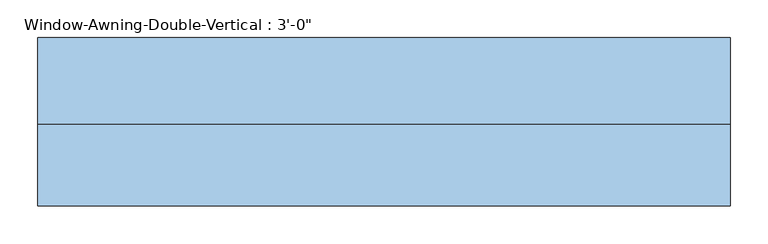
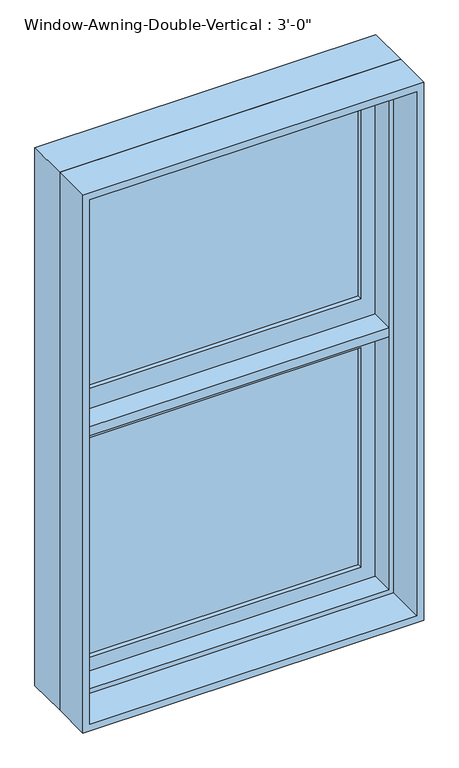
"""IFC4 building model written with IfcOpenShell, lengths in millimetres: window geometry."""

from ifc_helpers import new_model, si_unit, frame, origin, place, context, project, spatial, polyline, outline, extrude, faceted_brep, source, transform, mapped, element, save


def window_58767a64(model_context):
    return source(origin(), model_context, "Body", "SolidModel", [
        extrude(outline(polyline([(927.1, 444.5), (1663.7, 444.5), (1663.7, -444.5), (927.1, -444.5), (927.1, 444.5)]), holes=[polyline([(984.25, -387.35), (1606.55, -387.35), (1606.55, 387.35), (984.25, 387.35), (984.25, -387.35)])]), frame((0.0, 69.85, 0.0), z_axis=(0.0, 1.0, 0.0), x_axis=(0.0, 0.0, 1.0)), (0.0, 0.0, 1.0), 44.45),
        extrude(outline(polyline([(-444.5, 69.85), (-444.5, 120.65), (444.5, 120.65), (444.5, 69.85), (425.45, 69.85), (425.45, 6.35), (-425.45, 6.35), (-425.45, 69.85), (-444.5, 69.85)])), frame((0.0, 0.0, 1663.7), z_axis=(0.0, 0.0, 1.0), x_axis=(1.0, 0.0, 0.0)), (0.0, 0.0, 1.0), 25.4),
        extrude(outline(polyline([(387.35, 101.6), (387.35, 95.25), (-387.35, 95.25), (-387.35, 101.6), (387.35, 101.6)])), frame((0.0, 0.0, 984.25), z_axis=(0.0, 0.0, 1.0), x_axis=(1.0, 0.0, 0.0)), (0.0, 0.0, 1.0), 622.3),
        extrude(outline(polyline([(387.35, 88.9), (387.35, 82.55), (-387.35, 82.55), (-387.35, 88.9), (387.35, 88.9)])), frame((0.0, 0.0, 984.25), z_axis=(0.0, 0.0, 1.0), x_axis=(1.0, 0.0, 0.0)), (0.0, 0.0, 1.0), 622.3),
        extrude(outline(polyline([(387.35, 101.6), (387.35, 95.25), (-387.35, 95.25), (-387.35, 101.6), (387.35, 101.6)])), frame((0.0, 0.0, 1746.25), z_axis=(0.0, 0.0, 1.0), x_axis=(1.0, 0.0, 0.0)), (0.0, 0.0, 1.0), 622.3),
        extrude(outline(polyline([(387.35, 88.9), (387.35, 82.55), (-387.35, 82.55), (-387.35, 88.9), (387.35, 88.9)])), frame((0.0, 0.0, 1746.25), z_axis=(0.0, 0.0, 1.0), x_axis=(1.0, 0.0, 0.0)), (0.0, 0.0, 1.0), 622.3),
        extrude(outline(polyline([(1689.1, -444.5), (1689.1, 444.5), (2425.7, 444.5), (2425.7, -444.5), (1689.1, -444.5)]), holes=[polyline([(2368.55, -387.35), (2368.55, 387.35), (1746.25, 387.35), (1746.25, -387.35), (2368.55, -387.35)])]), frame((0.0, 69.85, 0.0), z_axis=(0.0, 1.0, 0.0), x_axis=(0.0, 0.0, 1.0)), (0.0, 0.0, 1.0), 44.45),
        faceted_brep([(-457.2, 6.35, 2438.4), (-457.2, 120.65, 2438.4), (-457.2, 120.65, 914.4), (-457.2, 6.35, 914.4), (-444.5, 120.65, 2425.7), (-444.5, 69.85, 2425.7), (-444.5, 69.85, 927.1), (-444.5, 120.65, 927.1), (-425.45, 69.85, 2406.65), (-425.45, 6.35, 2406.65), (-425.45, 6.35, 946.15), (-425.45, 69.85, 946.15), (457.2, 120.65, 914.4), (457.2, 6.35, 914.4), (444.5, 69.85, 927.1), (444.5, 120.65, 927.1), (425.45, 6.35, 946.15), (425.45, 69.85, 946.15), (457.2, 120.65, 2438.4), (457.2, 6.35, 2438.4), (444.5, 69.85, 2425.7), (444.5, 120.65, 2425.7), (425.45, 6.35, 2406.65), (425.45, 69.85, 2406.65)], [[[0, 1, 2, 3]], [[4, 5, 6, 7]], [[8, 9, 10, 11]], [[3, 2, 12, 13]], [[7, 6, 14, 15]], [[11, 10, 16, 17]], [[13, 12, 18, 19]], [[15, 14, 20, 21]], [[17, 16, 22, 23]], [[3, 13, 19, 0], [9, 22, 16, 10]], [[19, 18, 1, 0]], [[1, 18, 12, 2], [7, 15, 21, 4]], [[21, 20, 5, 4]], [[5, 20, 14, 6], [11, 17, 23, 8]], [[23, 22, 9, 8]]]),
        extrude(outline(polyline([(2438.4, -457.2), (914.4, -457.2), (914.4, 457.2), (2438.4, 457.2), (2438.4, -457.2)]), holes=[polyline([(2419.35, -438.15), (2419.35, 438.15), (933.45, 438.15), (933.45, -438.15), (2419.35, -438.15)])]), frame((0.0, -101.6, 0.0), z_axis=(0.0, 1.0, 0.0), x_axis=(0.0, 0.0, 1.0)), (0.0, 0.0, 1.0), 107.95),
    ])


if __name__ == "__main__":
    model = new_model("IFC4")
    model_context = context("Model", 3, world=origin())
    ifc_project = project(units=[si_unit("LENGTHUNIT", "METRE", prefix="MILLI")], contexts=[model_context])
    site = spatial("IfcSite", under=ifc_project)
    building = spatial("IfcBuilding", under=site)
    placement = place(None, origin())
    window_shape = window_58767a64(model_context)
    element("IfcWindow", 1, ObjectType="Window-Awning-Double-Vertical : 3'-0\"", at=placement, inside=building, context=model_context, shape_type="MappedRepresentation", body=[
        mapped(window_shape, transform((0.0, 0.0, 0.0), x_axis=(1.0, 0.0, 0.0), y_axis=(0.0, 1.0, 0.0), z_axis=(0.0, 0.0, 1.0))),
    ])
    save(model, "model.ifc")
